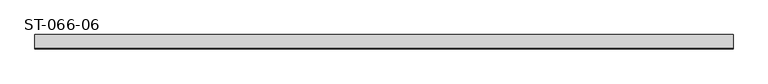
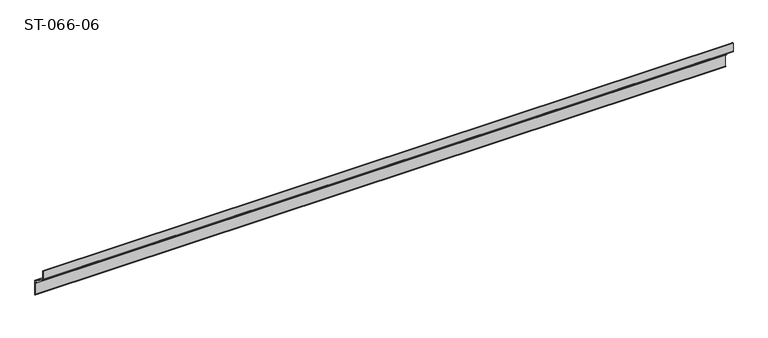
"""IFC4 building model written with IfcOpenShell, lengths in millimetres: plate geometry, ST-066-06."""

import ifcopenshell
import ifcopenshell.guid

model = None  # the IFC model being written
_history = None  # IfcOwnerHistory: only IFC2X3 demands one
_inside = {}  # id of a spatial element -> (the spatial element, [elements in it])
_under = {}  # id of a project, library or spatial element -> (it, [spatial elements below it])
_declared = {}  # id of a project -> (the project, [libraries it declares])
_typed = {}  # id of a type object -> (the type object, [elements of that type])
_made_of = {}  # id of a material, layer set ... -> (it, [elements and type objects made of it])


def new_model(schema):
    """Start an empty IFC model of exactly this schema.

    Asked for "IFC4X3", IfcOpenShell would pick the latest addendum, in which some entities
    have other attributes; the version numbers below select the first issue.
    IFC2X3 requires an IfcOwnerHistory on every rooted entity: one is made here for all.
    """
    global model, _history
    if schema == "IFC4X3":
        model = ifcopenshell.file(schema_version=(4, 3, 0, 0))
    else:
        model = ifcopenshell.file(schema=schema)
    _inside.clear()
    _under.clear()
    _declared.clear()
    _typed.clear()
    _made_of.clear()
    _history = None
    if model.schema == "IFC2X3":
        org = make("IfcOrganization", Name="unknown")
        user = make(
            "IfcPersonAndOrganization",
            ThePerson=make("IfcPerson", FamilyName="unknown"),
            TheOrganization=org,
        )
        app = make(
            "IfcApplication",
            ApplicationDeveloper=org,
            Version="unknown",
            ApplicationFullName="unknown",
            ApplicationIdentifier="unknown",
        )
        _history = make(
            "IfcOwnerHistory",
            OwningUser=user,
            OwningApplication=app,
            ChangeAction="ADDED",
            CreationDate=0,
        )
    return model


def make(cls, **values):
    """One entity of the class cls with the attributes given. An attribute that is None is left unset."""
    return model.create_entity(
        cls, **{name: value for name, value in values.items() if value is not None}
    )


def rooted(cls, **values):
    """An entity with a GlobalId (a new one), such as an element, a storey or a relation."""
    return make(cls, GlobalId=ifcopenshell.guid.new(), OwnerHistory=_history, **values)


def si_unit(unit_type, name, prefix=None):
    """IfcSIUnit, for example si_unit("LENGTHUNIT", "METRE", prefix="MILLI")."""
    return make("IfcSIUnit", UnitType=unit_type, Prefix=prefix, Name=name)


def assignment(units):
    """IfcUnitAssignment: the units of a project."""
    return None if units is None else make("IfcUnitAssignment", Units=units)


def point(xyz):
    """IfcCartesianPoint."""
    return None if xyz is None else make("IfcCartesianPoint", Coordinates=xyz)


def direction(xyz):
    """IfcDirection."""
    return None if xyz is None else make("IfcDirection", DirectionRatios=xyz)


def frame(location, z_axis=None, x_axis=None):
    """IfcAxis2Placement3D, a coordinate frame: its origin and axes. An axis left out is left unset."""
    return make(
        "IfcAxis2Placement3D",
        Location=point(location),
        Axis=direction(z_axis),
        RefDirection=direction(x_axis),
    )


def origin():
    """The frame at (0, 0, 0) with its axes left unset."""
    return frame((0.0, 0.0, 0.0))


def place(relative_to, where):
    """IfcLocalPlacement: puts the frame where relative to a parent placement (None: the world)."""
    return make(
        "IfcLocalPlacement", PlacementRelTo=relative_to, RelativePlacement=where
    )


def context(
    kind, dimensions, precision=None, world=None, true_north=None, identifier=None
):
    """IfcGeometricRepresentationContext, for example the 3D "Model" context."""
    return make(
        "IfcGeometricRepresentationContext",
        ContextIdentifier=identifier,
        ContextType=kind,
        CoordinateSpaceDimension=dimensions,
        Precision=precision,
        WorldCoordinateSystem=world,
        TrueNorth=true_north,
    )


def project(units=None, contexts=None):
    """IfcProject with its units and contexts."""
    return rooted(
        "IfcProject",
        Name="project",
        RepresentationContexts=contexts,
        UnitsInContext=assignment(units),
    )


def spatial(cls, under=None, at=None, **own):
    """A site, building, storey or space (cls), placed at a placement, below another one or the project."""
    s = rooted(cls, ObjectPlacement=at, **own)
    if under is not None:
        _under.setdefault(under.id(), (under, []))[1].append(s)
    return s


def polyline(points):
    """IfcPolyline through the points."""
    return make("IfcPolyline", Points=[point(p) for p in points])


def outline(outer, holes=None, kind="AREA"):
    """IfcArbitraryClosedProfileDef: a profile drawn as a closed curve; with holes, ...WithVoids."""
    if holes is None:
        return make("IfcArbitraryClosedProfileDef", ProfileType=kind, OuterCurve=outer)
    return make(
        "IfcArbitraryProfileDefWithVoids",
        ProfileType=kind,
        OuterCurve=outer,
        InnerCurves=holes,
    )


def extrude(swept, where, along, depth):
    """IfcExtrudedAreaSolid: the profile swept, set in the frame where, extruded along a direction by depth."""
    return make(
        "IfcExtrudedAreaSolid",
        SweptArea=swept,
        Position=where,
        ExtrudedDirection=direction(along),
        Depth=depth,
    )


def shape(context_of_items, identifier, shape_type, items):
    """IfcShapeRepresentation: the items that make up one representation, for example the "Body"."""
    return make(
        "IfcShapeRepresentation",
        ContextOfItems=context_of_items,
        RepresentationIdentifier=identifier,
        RepresentationType=shape_type,
        Items=items,
    )


def source(mapping_origin, context_of_items, identifier, shape_type, items):
    """IfcRepresentationMap: a shape defined once, which mapped items show again and again."""
    return make(
        "IfcRepresentationMap",
        MappingOrigin=mapping_origin,
        MappedRepresentation=shape(context_of_items, identifier, shape_type, items),
    )


def transform(
    local_origin,
    x_axis=None,
    y_axis=None,
    z_axis=None,
    scale=None,
    scale2=None,
    scale3=None,
    uniform=True,
):
    """IfcCartesianTransformationOperator3D, or its non-uniform kind. x_axis, y_axis, z_axis: its Axis1, 2, 3."""
    if uniform:
        return make(
            "IfcCartesianTransformationOperator3D",
            Axis1=direction(x_axis),
            Axis2=direction(y_axis),
            LocalOrigin=point(local_origin),
            Scale=scale,
            Axis3=direction(z_axis),
        )
    return make(
        "IfcCartesianTransformationOperator3DnonUniform",
        Axis1=direction(x_axis),
        Axis2=direction(y_axis),
        LocalOrigin=point(local_origin),
        Scale=scale,
        Axis3=direction(z_axis),
        Scale2=scale2,
        Scale3=scale3,
    )


def mapped(mapping_source, mapping_target):
    """IfcMappedItem: shows the shape of a source again, moved by a transform."""
    return make(
        "IfcMappedItem", MappingSource=mapping_source, MappingTarget=mapping_target
    )


def made_of(thing, what):
    """Note that an element or type object is made of a material, layer set ...; save() writes the relation."""
    if what is not None:
        _made_of.setdefault(what.id(), (what, []))[1].append(thing)
    return thing


def element(
    cls,
    number,
    at=None,
    inside=None,
    cuts=None,
    type_object=None,
    material=None,
    context=None,
    identifier="Body",
    shape_type=None,
    held_by="IfcProductDefinitionShape",
    body=None,
    shapes=None,
    **own,
):
    """One element of the class cls, such as IfcWall. Its Tag is "e" and its number.

    at: its placement. inside: the storey or other place that contains it. cuts: it is an
    opening in that element (IfcRelVoidsElement). A single representation is given by context,
    identifier, shape_type and body (its items); several are given by shapes. held_by: the class
    of the entity that holds the representations. save() writes the other relations.
    """
    e = rooted(cls, Tag="e%d" % number, ObjectPlacement=at, **own)
    if body is not None:
        shapes = [shape(context, identifier, shape_type, body)]
    if shapes is not None:
        e.Representation = make(held_by, Representations=shapes)
    if inside is not None:
        _inside.setdefault(inside.id(), (inside, []))[1].append(e)
    if cuts is not None:
        rooted(
            "IfcRelVoidsElement", RelatingBuildingElement=cuts, RelatedOpeningElement=e
        )
    if type_object is not None:
        _typed.setdefault(type_object.id(), (type_object, []))[1].append(e)
    return made_of(e, material)


def aggregate(whole, parts):
    """IfcRelAggregates: a whole, such as a stair, and the parts it consists of."""
    return rooted("IfcRelAggregates", RelatingObject=whole, RelatedObjects=parts)


def save(model, path):
    """Write the relations noted so far, then the file.

    IfcRelAggregates (storeys below a building ...), IfcRelContainedInSpatialStructure (elements
    in a storey), IfcRelDefinesByType, IfcRelAssociatesMaterial and IfcRelDeclares: one each for
    every whole, place, type object, material and project.
    """
    for whole, parts in _under.values():
        aggregate(whole, parts)
    for where, things in _inside.values():
        rooted(
            "IfcRelContainedInSpatialStructure",
            RelatedElements=things,
            RelatingStructure=where,
        )
    for kind, things in _typed.values():
        rooted("IfcRelDefinesByType", RelatedObjects=things, RelatingType=kind)
    for what, things in _made_of.values():
        rooted("IfcRelAssociatesMaterial", RelatedObjects=things, RelatingMaterial=what)
    for by, libraries in _declared.values():
        rooted("IfcRelDeclares", RelatingContext=by, RelatedDefinitions=libraries)
    model.write(path)


def st_066_06_2b8eda18(model_context):
    return source(origin(), model_context, "Body", "SweptSolid", [
        extrude(outline(polyline([(26.6900039, -43.5146264), (23.3790144, -41.6030258), (25.4893427, -37.9478299), (0.0, -20.1), (0.0, -0.7), (0.9441459, -0.2085088), (1.7235764, -0.7542719), (1.4, -2.5416698), (1.4, -19.3712061), (31.0, -40.0973493), (31.0, -73.6499385), (27.0, -70.8491084), (27.0, -69.3841789), (29.6, -71.2047185), (29.6, -44.6681542), (28.3532193, -41.9944243), (27.9841575, -40.6170671), (26.0523059, -41.1347052), (26.6900039, -43.5146264)])), frame((-750.0, 0.0, 0.0), z_axis=(1.0, 0.0, 0.0), x_axis=(0.0, 1.0, 0.0)), (0.0, 0.0, 1.0), 1499.7321324),
    ])


if __name__ == "__main__":
    model = new_model("IFC4")
    model_context = context("Model", 3, world=origin())
    ifc_project = project(units=[si_unit("LENGTHUNIT", "METRE", prefix="MILLI")], contexts=[model_context])
    site = spatial("IfcSite", under=ifc_project)
    building = spatial("IfcBuilding", under=site)
    placement = place(None, origin())
    st_066_06_shape = st_066_06_2b8eda18(model_context)
    element("IfcPlate", 1, ObjectType="ST-066-06", at=placement, inside=building, context=model_context, shape_type="MappedRepresentation", body=[
        mapped(st_066_06_shape, transform((0.0, 0.0, 0.0), x_axis=(1.0, 0.0, 0.0), y_axis=(0.0, 1.0, 0.0), z_axis=(0.0, 0.0, 1.0))),
    ])
    save(model, "model.ifc")
